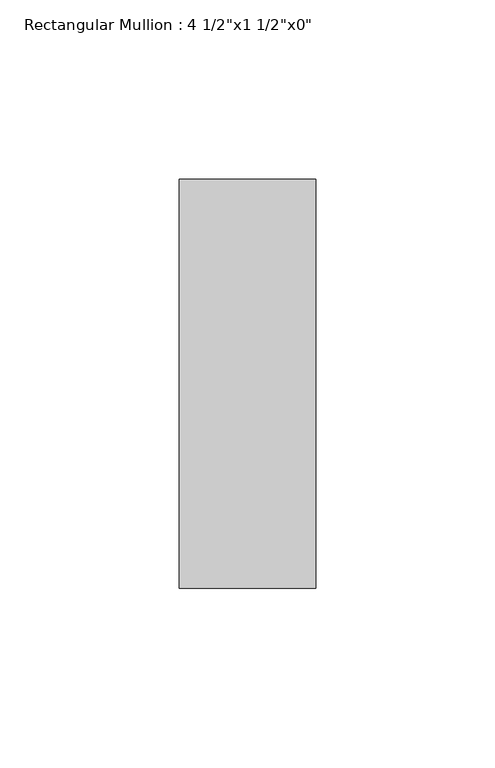
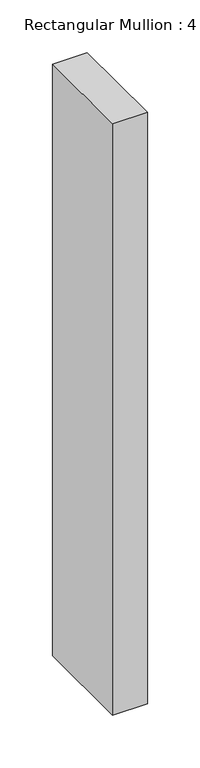
"""IFC4 building model written with IfcOpenShell, lengths in millimetres: member geometry."""

from ifc_helpers import new_model, si_unit, frame, origin, place, context, project, spatial, polyline, outline, extrude, source, transform, mapped, element, save


def member_dd34e821(model_context):
    return source(origin(), model_context, "Body", "SweptSolid", [
        extrude(outline(polyline([(0.0, 57.15), (0.0, -57.15), (-38.1, -57.15), (-38.1, 57.15), (0.0, 57.15)])), frame((0.0, 0.0, -685.7498202), z_axis=(0.0, 0.0, 1.0), x_axis=(1.0, 0.0, 0.0)), (0.0, 0.0, 1.0), 685.7498202),
    ])


if __name__ == "__main__":
    model = new_model("IFC4")
    model_context = context("Model", 3, world=origin())
    ifc_project = project(units=[si_unit("LENGTHUNIT", "METRE", prefix="MILLI")], contexts=[model_context])
    site = spatial("IfcSite", under=ifc_project)
    building = spatial("IfcBuilding", under=site)
    placement = place(None, origin())
    member_shape = member_dd34e821(model_context)
    element("IfcMember", 1, ObjectType="Rectangular Mullion : 4 1/2\"x1 1/2\"x0\"", at=placement, inside=building, context=model_context, shape_type="MappedRepresentation", body=[
        mapped(member_shape, transform((0.0, 0.0, 0.0), x_axis=(1.0, 0.0, 0.0), y_axis=(0.0, 1.0, 0.0), z_axis=(0.0, 0.0, 1.0))),
    ])
    save(model, "model.ifc")
